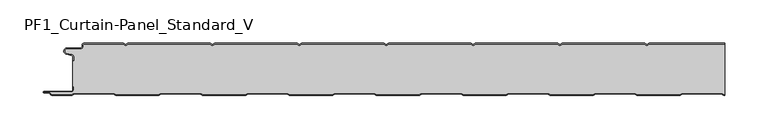
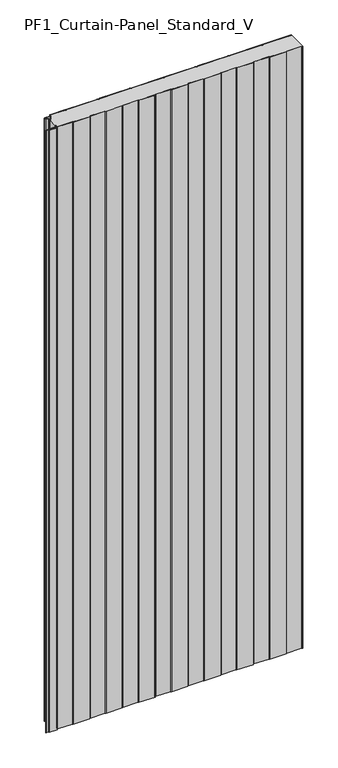
"""IFC4 building model written with IfcOpenShell, lengths in millimetres: plate geometry, PF1_Curtain-Panel_Standard_V."""

from ifc_helpers import new_model, si_unit, point, frame_2d, origin, origin_with_axes, place, context, project, spatial, polyline, circle_curve, trimmed, segment, composite_curve, outline, extrude, source, transform, mapped, element, save


def pf1_curtain_panel_standard_v_6590a8dd(model_context):
    return source(origin(), model_context, "Body", "SweptSolid", [
        extrude(outline(composite_curve([segment(trimmed(circle_curve(frame_2d((-377.0119739, -15.878557)), 2.0), [point((-375.0119739, -15.878557))], [point((-376.5620718, -13.9298169))], True, "CARTESIAN"), True, "CONTINUOUS"), segment(polyline([(-376.5620718, -13.9298169), (-382.7217978, -12.507732)]), True, "CONTINUOUS"), segment(trimmed(circle_curve(frame_2d((-381.9119739, -9.0)), 3.6), [point((-382.7217978, -12.507732))], [point((-381.9119739, -5.4))], False, "CARTESIAN"), True, "CONTINUOUS"), segment(polyline([(-381.9119739, -5.4), (-366.4119739, -5.4)]), True, "CONTINUOUS"), segment(trimmed(circle_curve(frame_2d((-366.4119739, -3.4)), 2.0), [point((-366.4119739, -5.4))], [point((-364.4119739, -3.4))], True, "CARTESIAN"), True, "CONTINUOUS"), segment(polyline([(-364.4119739, -3.4), (-364.4119739, -2.0)]), True, "CONTINUOUS"), segment(trimmed(circle_curve(frame_2d((-362.4119739, -2.0)), 2.0), [point((-364.4119739, -2.0))], [point((-362.4119739, 0.0))], False, "CARTESIAN"), True, "CONTINUOUS"), segment(polyline([(-362.4119739, 0.0), (-317.1119734, 0.0), (-314.4119739, -1.5588455), (-311.7119745, 0.0), (-217.1119734, 0.0), (-214.4119739, -1.5588455), (-211.7119745, 0.0), (-117.1119734, 0.0), (-114.4119739, -1.5588455), (-111.7119745, 0.0), (-17.1119734, 0.0), (-14.4119739, -1.5588455), (-11.7119745, 0.0), (82.8880266, 0.0), (85.5880261, -1.5588455), (88.2880255, 0.0), (182.8880266, 0.0), (185.5880261, -1.5588455), (188.2880255, 0.0), (282.8880266, 0.0), (285.5880261, -1.5588455), (288.2880255, 0.0), (375.0119739, 0.0), (375.0119739, -0.8), (288.5023849, -0.8), (285.5880261, -2.482606), (282.6736672, -0.8), (188.5023849, -0.8), (185.5880261, -2.482606), (182.6736672, -0.8), (88.5023849, -0.8), (85.5880261, -2.482606), (82.6736672, -0.8), (-11.4976151, -0.8), (-14.4119739, -2.482606), (-17.3263328, -0.8), (-111.4976151, -0.8), (-114.4119739, -2.482606), (-117.3263328, -0.8), (-211.4976151, -0.8), (-214.4119739, -2.482606), (-217.3263328, -0.8), (-311.4976151, -0.8), (-314.4119739, -2.482606), (-317.3263328, -0.8), (-362.4119739, -0.8)]), True, "CONTINUOUS"), segment(trimmed(circle_curve(frame_2d((-362.4119739, -2.0)), 1.2), [point((-362.4119739, -0.8))], [point((-363.6119739, -2.0))], True, "CARTESIAN"), True, "CONTINUOUS"), segment(polyline([(-363.6119739, -2.0), (-363.6119739, -3.4)]), True, "CONTINUOUS"), segment(trimmed(circle_curve(frame_2d((-366.4119739, -3.4)), 2.8), [point((-363.6119739, -3.4))], [point((-366.4119739, -6.2))], False, "CARTESIAN"), True, "CONTINUOUS"), segment(polyline([(-366.4119739, -6.2), (-381.9119739, -6.2)]), True, "CONTINUOUS"), segment(trimmed(circle_curve(frame_2d((-381.9119739, -9.0)), 2.8), [point((-381.9119739, -6.2))], [point((-382.541837, -11.7282362))], True, "CARTESIAN"), True, "CONTINUOUS"), segment(polyline([(-382.541837, -11.7282362), (-376.3821109, -13.150321)]), True, "CONTINUOUS"), segment(trimmed(circle_curve(frame_2d((-377.0119739, -15.878557)), 2.8), [point((-376.3821109, -13.150321))], [point((-374.2119739, -15.878557))], False, "CARTESIAN"), True, "CONTINUOUS"), segment(polyline([(-374.2119739, -15.878557), (-374.2119739, -20.0), (-375.0119739, -20.0), (-375.0119739, -15.878557)]), True, "CONTINUOUS")], self_intersect=False)), origin_with_axes(), (0.0, 0.0, 1.0), 1945.7507136),
        extrude(outline(composite_curve([segment(polyline([(-374.2119739, -50.0), (-375.0119739, -50.0), (-375.0119739, -20.0), (-374.2119739, -20.0), (-374.2119739, -15.878557)]), True, "CONTINUOUS"), segment(trimmed(circle_curve(frame_2d((-377.0119739, -15.878557)), 2.8), [point((-374.2119739, -15.878557))], [point((-376.3821109, -13.1503208))], True, "CARTESIAN"), True, "CONTINUOUS"), segment(polyline([(-376.3821109, -13.1503208), (-382.5418369, -11.7282362)]), True, "CONTINUOUS"), segment(trimmed(circle_curve(frame_2d((-381.9119739, -9.0)), 2.8), [point((-382.5418369, -11.7282362))], [point((-381.9119739, -6.2))], False, "CARTESIAN"), True, "CONTINUOUS"), segment(polyline([(-381.9119739, -6.2), (-366.4119739, -6.2)]), True, "CONTINUOUS"), segment(trimmed(circle_curve(frame_2d((-366.4119739, -3.4)), 2.8), [point((-366.4119739, -6.2))], [point((-363.6119739, -3.4))], True, "CARTESIAN"), True, "CONTINUOUS"), segment(polyline([(-363.6119739, -3.4), (-363.6119739, -2.0)]), True, "CONTINUOUS"), segment(trimmed(circle_curve(frame_2d((-362.4119739, -2.0)), 1.2), [point((-363.6119739, -2.0))], [point((-362.4119739, -0.8))], False, "CARTESIAN"), True, "CONTINUOUS"), segment(polyline([(-362.4119739, -0.8), (-317.3263328, -0.8), (-314.4119739, -2.482606), (-311.4976151, -0.8), (-217.3263328, -0.8), (-214.4119739, -2.482606), (-211.4976151, -0.8), (-117.3263328, -0.8), (-114.4119739, -2.482606), (-111.4976151, -0.8), (-17.3263328, -0.8), (-14.4119739, -2.482606), (-11.4976151, -0.8), (82.6736672, -0.8), (85.5880261, -2.482606), (88.5023849, -0.8), (182.6736672, -0.8), (185.5880261, -2.482606), (188.5023849, -0.8), (282.6736672, -0.8), (285.5880261, -2.482606), (288.5023849, -0.8), (375.0119739, -0.8), (375.0119739, -59.2), (374.2032822, -59.2), (371.6052046, -57.7), (326.3764885, -57.7), (323.7784109, -59.2), (274.2032822, -59.2), (271.6052046, -57.7), (226.3764885, -57.7), (223.7784109, -59.2), (174.2032822, -59.2), (171.6052046, -57.7), (126.3764885, -57.7), (123.7784109, -59.2), (74.2032822, -59.2), (71.6052046, -57.7), (26.3764885, -57.7), (23.7784109, -59.2), (-25.7967178, -59.2), (-28.3947954, -57.7), (-73.6235115, -57.7), (-76.2215891, -59.2), (-125.7967178, -59.2), (-128.3947954, -57.7), (-173.6235115, -57.7), (-176.2215891, -59.2), (-225.7967178, -59.2), (-228.3947954, -57.7), (-273.6235115, -57.7), (-276.2215891, -59.2), (-325.7967178, -59.2), (-328.3947954, -57.7), (-373.6235115, -57.7), (-376.2215891, -59.2), (-399.4119739, -59.2)]), True, "CONTINUOUS"), segment(trimmed(circle_curve(frame_2d((-399.4119739, -58.4)), 0.8), [point((-399.4119739, -59.2))], [point((-400.2119739, -58.4))], False, "CARTESIAN"), True, "CONTINUOUS"), segment(trimmed(circle_curve(frame_2d((-401.9119739, -58.6133333)), 1.7133333), [point((-400.2119739, -58.4))], [point((-401.9119739, -56.9))], True, "CARTESIAN"), True, "CONTINUOUS"), segment(polyline([(-401.9119739, -56.9), (-407.8820051, -56.9)]), True, "CONTINUOUS"), segment(trimmed(circle_curve(frame_2d((-407.8820051, -56.6)), 0.3), [point((-407.8820051, -56.9))], [point((-407.8820051, -56.3))], False, "CARTESIAN"), True, "CONTINUOUS"), segment(polyline([(-407.8820051, -56.3), (-377.0119739, -56.3)]), True, "CONTINUOUS"), segment(trimmed(circle_curve(frame_2d((-377.0119739, -53.5)), 2.8), [point((-377.0119739, -56.3))], [point((-374.2119739, -53.5))], True, "CARTESIAN"), True, "CONTINUOUS"), segment(polyline([(-374.2119739, -53.5), (-374.2119739, -50.0)]), True, "CONTINUOUS")], self_intersect=False)), origin_with_axes(), (0.0, 0.0, 1.0), 1945.7507136),
        extrude(outline(composite_curve([segment(polyline([(-375.0119739, -50.0), (-374.2119739, -50.0), (-374.2119739, -53.5)]), True, "CONTINUOUS"), segment(trimmed(circle_curve(frame_2d((-377.0119739, -53.5)), 2.8), [point((-374.2119739, -53.5))], [point((-377.0119739, -56.3))], False, "CARTESIAN"), True, "CONTINUOUS"), segment(polyline([(-377.0119739, -56.3), (-407.8820051, -56.3)]), True, "CONTINUOUS"), segment(trimmed(circle_curve(frame_2d((-407.8820051, -56.6)), 0.3), [point((-407.8820051, -56.3))], [point((-407.8820051, -56.9))], True, "CARTESIAN"), True, "CONTINUOUS"), segment(polyline([(-407.8820051, -56.9), (-401.9119739, -56.9)]), True, "CONTINUOUS"), segment(trimmed(circle_curve(frame_2d((-401.9119739, -58.6133333)), 1.7133333), [point((-401.9119739, -56.9))], [point((-400.2119739, -58.4))], False, "CARTESIAN"), True, "CONTINUOUS"), segment(trimmed(circle_curve(frame_2d((-399.4119739, -58.4)), 0.8), [point((-400.2119739, -58.4))], [point((-399.4119739, -59.2))], True, "CARTESIAN"), True, "CONTINUOUS"), segment(polyline([(-399.4119739, -59.2), (-376.2215891, -59.2), (-373.6235115, -57.7), (-328.3947954, -57.7), (-325.7967178, -59.2), (-276.2215891, -59.2), (-273.6235115, -57.7), (-228.3947954, -57.7), (-225.7967178, -59.2), (-176.2215891, -59.2), (-173.6235115, -57.7), (-128.3947954, -57.7), (-125.7967178, -59.2), (-76.2215891, -59.2), (-73.6235115, -57.7), (-28.3947954, -57.7), (-25.7967178, -59.2), (23.7784109, -59.2), (26.3764885, -57.7), (71.6052046, -57.7), (74.2032822, -59.2), (123.7784109, -59.2), (126.3764885, -57.7), (171.6052046, -57.7), (174.2032822, -59.2), (223.7784109, -59.2), (226.3764885, -57.7), (271.6052046, -57.7), (274.2032822, -59.2), (323.7784109, -59.2), (326.3764885, -57.7), (371.6052046, -57.7), (374.2032822, -59.2), (375.0119739, -59.2), (375.0119739, -60.0), (373.988923, -60.0), (371.3908454, -58.5), (326.5908477, -58.5), (323.9927701, -60.0), (273.988923, -60.0), (271.3908454, -58.5), (226.5908477, -58.5), (223.9927701, -60.0), (173.988923, -60.0), (171.3908454, -58.5), (126.5908477, -58.5), (123.9927701, -60.0), (73.988923, -60.0), (71.3908454, -58.5), (26.5908477, -58.5), (23.9927701, -60.0), (-26.011077, -60.0), (-28.6091546, -58.5), (-73.4091523, -58.5), (-76.0072299, -60.0), (-126.011077, -60.0), (-128.6091546, -58.5), (-173.4091523, -58.5), (-176.0072299, -60.0), (-226.011077, -60.0), (-228.6091546, -58.5), (-273.4091523, -58.5), (-276.0072299, -60.0), (-326.011077, -60.0), (-328.6091546, -58.5), (-373.4091523, -58.5), (-376.0072299, -60.0), (-399.4119739, -60.0)]), True, "CONTINUOUS"), segment(trimmed(circle_curve(frame_2d((-399.4119739, -58.4)), 1.6), [point((-399.4119739, -60.0))], [point((-401.0119739, -58.4))], False, "CARTESIAN"), True, "CONTINUOUS"), segment(trimmed(circle_curve(frame_2d((-401.9119739, -58.4)), 0.9), [point((-401.0119739, -58.4))], [point((-401.9119739, -57.5))], True, "CARTESIAN"), True, "CONTINUOUS"), segment(polyline([(-401.9119739, -57.5), (-408.0119739, -57.5)]), True, "CONTINUOUS"), segment(trimmed(circle_curve(frame_2d((-408.0119739, -56.5)), 1.0), [point((-408.0119739, -57.5))], [point((-408.0119739, -55.5))], False, "CARTESIAN"), True, "CONTINUOUS"), segment(polyline([(-408.0119739, -55.5), (-377.0119739, -55.5)]), True, "CONTINUOUS"), segment(trimmed(circle_curve(frame_2d((-377.0119739, -53.5)), 2.0), [point((-377.0119739, -55.5))], [point((-375.0119739, -53.5))], True, "CARTESIAN"), True, "CONTINUOUS"), segment(polyline([(-375.0119739, -53.5), (-375.0119739, -50.0)]), True, "CONTINUOUS")], self_intersect=False)), origin_with_axes(), (0.0, 0.0, 1.0), 1945.7507136),
    ])


if __name__ == "__main__":
    model = new_model("IFC4")
    model_context = context("Model", 3, world=origin())
    ifc_project = project(units=[si_unit("LENGTHUNIT", "METRE", prefix="MILLI")], contexts=[model_context])
    site = spatial("IfcSite", under=ifc_project)
    building = spatial("IfcBuilding", under=site)
    placement = place(None, origin())
    pf1_curtain_panel_standard_v_shape = pf1_curtain_panel_standard_v_6590a8dd(model_context)
    element("IfcPlate", 1, ObjectType="PF1_Curtain-Panel_Standard_V", at=placement, inside=building, context=model_context, shape_type="MappedRepresentation", body=[
        mapped(pf1_curtain_panel_standard_v_shape, transform((0.0, 0.0, 0.0), x_axis=(1.0, 0.0, 0.0), y_axis=(0.0, 1.0, 0.0), z_axis=(0.0, 0.0, 1.0))),
    ])
    save(model, "model.ifc")
